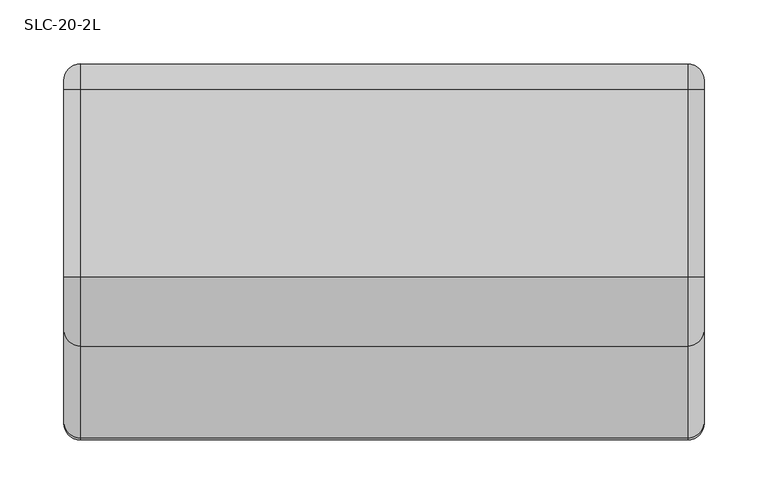
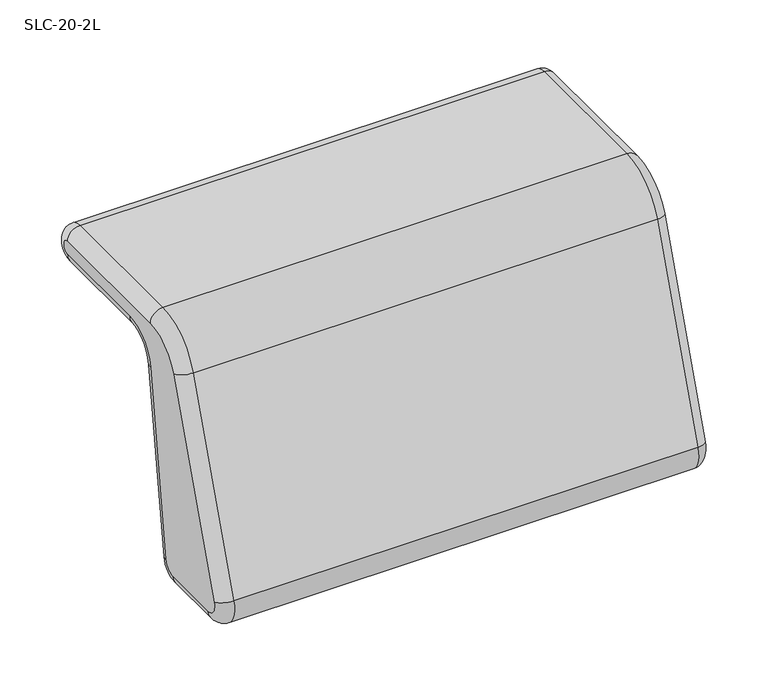
"""IFC4 building model written with IfcOpenShell, lengths in millimetres: furniture geometry, SLC-20-2L."""

from ifc_helpers import new_model, si_unit, point, frame, origin, place, context, project, spatial, polyline, circle_curve, ellipse_curve, trimmed, source, transform, mapped, element, save
from ifc_brep_helpers import plane_surface, cylinder_surface, revolved_surface, advanced_brep


def slc_20_2l_0019fbf1(model_context):
    return source(origin(), model_context, "Body", "AdvancedBrep", [
        advanced_brep(
        [(222.8949219, 14.8673135, 645.9354873), (235.5850085, 27.433901, 644.1693686), (235.5850085, 0.5042568, 452.5549935), (222.8949219, -12.0623307, 454.3211122), (235.5850085, -24.6485521, 430.6899902), (222.8949219, -24.6485521, 443.3800768), (235.5850085, -86.7348484, 430.6899902), (222.8949219, -86.7348484, 443.3800768), (235.5850085, -110.6779418, 464.5686858), (222.8949219, -98.7157399, 460.3326472), (235.5850085, -38.7747295, 667.6170574), (222.8949219, -26.8125276, 663.3810187), (235.5850085, 15.0972306, 705.6899923), (222.8949219, 15.0972306, 692.9999057), (235.5850085, 161.6991602, 705.6899923), (222.8949219, 161.6991602, 692.9999057), (235.5850085, 161.6991602, 665.6900356), (222.8949219, 161.6991602, 678.3801222), (235.5850085, 52.1905965, 665.6900356), (222.8949219, 52.1905965, 678.3801222), (710.5649915, -38.7747295, 667.6170574), (710.5649915, 15.0972306, 705.6899923), (710.5649915, 161.6991602, 705.6899923), (710.5649915, 161.6991602, 665.6900356), (710.5649915, 52.1905965, 665.6900356), (710.5649915, 27.433901, 644.1693686), (710.5649915, 0.5042568, 452.5549935), (710.5649915, -24.6485521, 430.6899902), (710.5649915, -86.7348484, 430.6899902), (710.5649915, -110.6779418, 464.5686858), (723.2550781, 14.8673135, 645.9354873), (723.2550781, -12.0623307, 454.3211122), (723.2550781, -24.6485521, 443.3800768), (723.2550781, -86.7348484, 443.3800768), (723.2550781, -98.7157399, 460.3326472), (723.2550781, -26.8125276, 663.3810187), (723.2550781, 15.0972306, 692.9999057), (723.2550781, 161.6991602, 692.9999057), (723.2550781, 161.6991602, 678.3801222), (723.2550781, 52.1905965, 678.3801222)],
        [
            (0, 1, circle_curve(frame((235.5850085, 14.8673135, 645.9354873), z_axis=(0.0, -0.13917310095999583, -0.9902680687415801), x_axis=(0.0, 0.9902680687415801, -0.13917310095999583)), 12.6900866)),
            (1, 2),
            (2, 3, circle_curve(frame((235.5850085, -12.0623307, 454.3211122), z_axis=(0.0, 0.13917310095999583, 0.9902680687415801), x_axis=(0.0, 0.9902680687415801, -0.13917310095999583)), 12.6900866)),
            (3, 0),
            (2, 4, circle_curve(frame((235.5850085, -24.6485521, 456.0899902), z_axis=(-1.0, 0.0, 0.0), x_axis=(0.0, 0.9902680687415799, -0.1391731009599972)), 25.4)),
            (4, 5, circle_curve(frame((235.5850085, -24.6485521, 443.3800768), z_axis=(0.0, 1.0, 0.0), x_axis=(0.0, 0.0, -1.0)), 12.6900866)),
            (5, 3, circle_curve(frame((222.8949219, -24.6485521, 456.0899902), z_axis=(1.0, 0.0, 0.0), x_axis=(0.0, 0.9902680687415799, -0.1391731009599972)), 12.7099134)),
            (4, 6),
            (6, 7, circle_curve(frame((235.5850085, -86.7348484, 443.3800768), z_axis=(0.0, 1.0, 0.0), x_axis=(0.0, 0.0, -1.0)), 12.6900866)),
            (7, 5),
            (6, 8, circle_curve(frame((235.5850085, -86.7348484, 456.0899902), z_axis=(-1.0, 0.0, 0.0), x_axis=(0.0, 0.0, -1.0)), 25.4)),
            (8, 9, circle_curve(frame((235.5850085, -98.7157399, 460.3326472), z_axis=(0.0, -0.3338069120612593, -0.942641472384982), x_axis=(0.0, -0.942641472384982, 0.3338069120612593)), 12.6900866)),
            (9, 7, circle_curve(frame((222.8949219, -86.7348484, 456.0899902), z_axis=(1.0, 0.0, 0.0), x_axis=(0.0, 0.0, -1.0)), 12.7099134)),
            (8, 10),
            (10, 11, circle_curve(frame((235.5850085, -26.8125276, 663.3810187), z_axis=(0.0, -0.33380691206126195, -0.9426414723849812), x_axis=(0.0, -0.9426414723849812, 0.33380691206126195)), 12.6900866)),
            (11, 9),
            (10, 12, circle_curve(frame((235.5850085, 15.0972306, 648.5399923), z_axis=(-1.0, 0.0, 0.0), x_axis=(0.0, -0.9426414723849806, 0.333806912061263)), 57.15)),
            (12, 13, circle_curve(frame((235.5850085, 15.0972306, 692.9999057), z_axis=(0.0, -1.0, 0.0), x_axis=(0.0, 0.0, 1.0)), 12.6900866)),
            (13, 11, circle_curve(frame((222.8949219, 15.0972306, 648.5399923), z_axis=(1.0, 0.0, 0.0), x_axis=(0.0, -0.9426414723849806, 0.333806912061263)), 44.4599134)),
            (12, 14),
            (14, 15, circle_curve(frame((235.5850085, 161.6991602, 692.9999057), z_axis=(0.0, -1.0, 0.0), x_axis=(0.0, 0.0, 1.0)), 12.6900866)),
            (15, 13),
            (14, 16, circle_curve(frame((235.5850085, 161.6991602, 685.690014), z_axis=(-1.0, 0.0, 0.0), x_axis=(0.0, 0.0, 1.0)), 19.9999784)),
            (16, 17, circle_curve(frame((235.5850085, 161.6991602, 678.3801222), z_axis=(0.0, 1.0, 0.0), x_axis=(0.0, 0.0, -1.0)), 12.6900866)),
            (17, 15, circle_curve(frame((222.8949219, 161.6991602, 685.690014), z_axis=(1.0, 0.0, 0.0), x_axis=(0.0, 0.0, 1.0)), 7.3098917)),
            (16, 18),
            (18, 19, circle_curve(frame((235.5850085, 52.1905965, 678.3801222), z_axis=(0.0, 1.0, 0.0), x_axis=(0.0, 0.0, -1.0)), 12.6900866)),
            (19, 17),
            (0, 19, circle_curve(frame((222.8949219, 52.1905965, 640.690042), z_axis=(-1.0, 0.0, 0.0), x_axis=(0.0, 0.0, 1.0)), 37.6900803)),
            (18, 1, circle_curve(frame((235.5850085, 52.1905965, 640.690042), z_axis=(1.0, 0.0, 0.0), x_axis=(0.0, 0.0, 1.0)), 24.9999937)),
            (10, 20),
            (20, 21, circle_curve(frame((710.5649915, 15.0972306, 648.5399923), z_axis=(-1.0, 0.0, 0.0), x_axis=(0.0, 0.0, 1.0)), 57.15)),
            (21, 12),
            (21, 22),
            (22, 14),
            (22, 23, circle_curve(frame((710.5649915, 161.6991602, 685.690014), z_axis=(-1.0, 0.0, 0.0), x_axis=(0.0, 0.0, 1.0)), 19.9999784)),
            (23, 16),
            (23, 24),
            (24, 18),
            (24, 25, circle_curve(frame((710.5649915, 52.1905965, 640.690042), z_axis=(1.0, 0.0, 0.0), x_axis=(0.0, 0.0, 1.0)), 24.9999937)),
            (25, 1),
            (25, 26),
            (26, 2),
            (26, 27, circle_curve(frame((710.5649915, -24.6485521, 456.0899902), z_axis=(-1.0, 0.0, 0.0), x_axis=(0.0, 0.0, 1.0)), 25.4)),
            (27, 4),
            (27, 28),
            (28, 6),
            (28, 29, circle_curve(frame((710.5649915, -86.7348484, 456.0899902), z_axis=(-1.0, 0.0, 0.0), x_axis=(0.0, 0.0, 1.0)), 25.4)),
            (29, 8),
            (29, 20),
            (25, 30, circle_curve(frame((710.5649915, 14.8673135, 645.9354873), z_axis=(0.0, -0.13917310095999588, -0.9902680687415801), x_axis=(0.0, -0.9902680687415801, 0.13917310095999588)), 12.6900866)),
            (30, 31),
            (31, 26, circle_curve(frame((710.5649915, -12.0623307, 454.3211122), z_axis=(0.0, 0.13917310095999588, 0.9902680687415801), x_axis=(0.0, -0.9902680687415801, 0.13917310095999588)), 12.6900866)),
            (31, 32, circle_curve(frame((723.2550781, -24.6485521, 456.0899902), z_axis=(-1.0, 0.0, 0.0), x_axis=(0.0, 0.9902680687415799, -0.1391731009599972)), 12.7099134)),
            (32, 27, circle_curve(frame((710.5649915, -24.6485521, 443.3800768), z_axis=(0.0, 1.0, 0.0), x_axis=(0.0, 0.0, 1.0)), 12.6900866)),
            (32, 33),
            (33, 28, circle_curve(frame((710.5649915, -86.7348484, 443.3800768), z_axis=(0.0, 1.0, 0.0), x_axis=(0.0, 0.0, 1.0)), 12.6900866)),
            (33, 34, circle_curve(frame((723.2550781, -86.7348484, 456.0899902), z_axis=(-1.0, 0.0, 0.0), x_axis=(0.0, 0.0, -1.0)), 12.7099134)),
            (34, 29, circle_curve(frame((710.5649915, -98.7157399, 460.3326472), z_axis=(0.0, -0.3338069120612629, -0.9426414723849806), x_axis=(0.0, 0.9426414723849806, -0.3338069120612629)), 12.6900866)),
            (34, 35),
            (35, 20, circle_curve(frame((710.5649915, -26.8125276, 663.3810187), z_axis=(0.0, -0.333806912061262, -0.9426414723849812), x_axis=(0.0, 0.9426414723849812, -0.333806912061262)), 12.6900866)),
            (35, 36, circle_curve(frame((723.2550781, 15.0972306, 648.5399923), z_axis=(-1.0, 0.0, 0.0), x_axis=(0.0, -0.9426414723849806, 0.333806912061263)), 44.4599134)),
            (36, 21, circle_curve(frame((710.5649915, 15.0972306, 692.9999057), z_axis=(0.0, -1.0, 0.0), x_axis=(0.0, 0.0, -1.0)), 12.6900866)),
            (36, 37),
            (37, 22, circle_curve(frame((710.5649915, 161.6991602, 692.9999057), z_axis=(0.0, -1.0, 0.0), x_axis=(0.0, 0.0, -1.0)), 12.6900866)),
            (37, 38, circle_curve(frame((723.2550781, 161.6991602, 685.690014), z_axis=(-1.0, 0.0, 0.0), x_axis=(0.0, 0.0, 1.0)), 7.3098917)),
            (38, 23, circle_curve(frame((710.5649915, 161.6991602, 678.3801222), z_axis=(0.0, 1.0, 0.0), x_axis=(0.0, 0.0, 1.0)), 12.6900866)),
            (38, 39),
            (39, 24, circle_curve(frame((710.5649915, 52.1905965, 678.3801222), z_axis=(0.0, 1.0, 0.0), x_axis=(0.0, 0.0, 1.0)), 12.6900866)),
            (39, 30, circle_curve(frame((723.2550781, 52.1905965, 640.690042), z_axis=(1.0, 0.0, 0.0), x_axis=(0.0, 0.0, 1.0)), 37.6900803)),
        ],
        [
            cylinder_surface(frame((235.5850085, 14.8673135, 645.9354873), z_axis=(0.0, 0.13917310095999583, 0.9902680687415801), x_axis=(0.0, 0.9902680687415801, -0.13917310095999583)), 12.6900866),
            revolved_surface(trimmed(ellipse_curve(frame((235.5850085, -12.0623307, 454.3211122), z_axis=(0.0, 0.1391731009599973, 0.9902680687415799), x_axis=(0.0, 0.9902680687415799, -0.1391731009599973)), 12.6900866, 12.6900866), [point((235.5850085, 0.5042568, 452.5549935))], [point((222.8949219, -12.0623307, 454.3211122))], True, "CARTESIAN"), (235.5949219, -24.6485521, 456.0899902), (-1.0, 0.0, 0.0)),
            cylinder_surface(frame((235.5850085, -24.6485521, 443.3800768), z_axis=(0.0, 1.0, 0.0), x_axis=(0.0, 0.0, -1.0)), 12.6900866),
            revolved_surface(trimmed(ellipse_curve(frame((235.5850085, -86.7348484, 443.3800768), z_axis=(0.0, 1.0, 0.0), x_axis=(0.0, 0.0, -1.0)), 12.6900866, 12.6900866), [point((235.5850085, -86.7348484, 430.6899902))], [point((222.8949219, -86.7348484, 443.3800768))], True, "CARTESIAN"), (235.5949219, -86.7348484, 456.0899902), (-1.0, 0.0, 0.0)),
            cylinder_surface(frame((235.5850085, -98.7157399, 460.3326472), z_axis=(0.0, -0.33380691206126195, -0.9426414723849812), x_axis=(0.0, -0.9426414723849812, 0.33380691206126195)), 12.6900866),
            revolved_surface(trimmed(ellipse_curve(frame((235.5850085, -26.8125276, 663.3810187), z_axis=(0.0, -0.3338069120612631, -0.9426414723849806), x_axis=(0.0, -0.9426414723849806, 0.3338069120612631)), 12.6900866, 12.6900866), [point((235.5850085, -38.7747295, 667.6170574))], [point((222.8949219, -26.8125276, 663.3810187))], True, "CARTESIAN"), (235.5949219, 15.0972306, 648.5399923), (-1.0, 0.0, 0.0)),
            cylinder_surface(frame((235.5850085, 15.0972306, 692.9999057), z_axis=(0.0, -1.0, 0.0), x_axis=(0.0, 0.0, 1.0)), 12.6900866),
            revolved_surface(trimmed(ellipse_curve(frame((235.5850085, 161.6991602, 692.9999057), z_axis=(0.0, -1.0, 0.0), x_axis=(0.0, 0.0, 1.0)), 12.6900866, 12.6900866), [point((235.5850085, 161.6991602, 705.6899923))], [point((222.8949219, 161.6991602, 692.9999057))], True, "CARTESIAN"), (235.5949219, 161.6991602, 685.690014), (-1.0, 0.0, 0.0)),
            cylinder_surface(frame((235.5850085, 161.6991602, 678.3801222), z_axis=(0.0, 1.0, 0.0), x_axis=(0.0, 0.0, -1.0)), 12.6900866),
            revolved_surface(trimmed(ellipse_curve(frame((235.5850085, 52.1905965, 678.3801222), z_axis=(0.0, 1.0, 0.0), x_axis=(0.0, 0.0, -1.0)), 12.6900866, 12.6900866), [point((235.5850085, 52.1905965, 665.6900356))], [point((222.8949219, 52.1905965, 678.3801222))], True, "CARTESIAN"), (235.5949219, 52.1905965, 640.690042), (1.0, 0.0, 0.0)),
            cylinder_surface(frame((710.5649915, 15.0972306, 648.5399923), z_axis=(-1.0, 0.0, 0.0), x_axis=(0.0, 0.0, 1.0)), 57.15),
            plane_surface(frame((235.5850085, 15.0972306, 705.6899923), z_axis=(0.0, 0.0, 1.0), x_axis=(1.0, 0.0, 0.0))),
            cylinder_surface(frame((710.5649915, 161.6991602, 685.690014), z_axis=(-1.0, 0.0, 0.0), x_axis=(0.0, 0.0, 1.0)), 19.9999784),
            plane_surface(frame((235.5850085, 161.6991602, 665.6900356), z_axis=(0.0, 0.0, -1.0), x_axis=(1.0, 0.0, 0.0))),
            revolved_surface(polyline([(710.5649915, 52.1905965, 665.6900357), (235.58500849999996, 52.1905965, 665.6900357)]), (710.5649915, 52.1905965, 640.690042), (1.0, 0.0, 0.0)),
            plane_surface(frame((235.5850085, 27.433901, 644.1693686), z_axis=(0.0, 0.9902680687415801, -0.13917310095999566), x_axis=(1.0, 0.0, 0.0))),
            cylinder_surface(frame((710.5649915, -24.6485521, 456.0899902), z_axis=(-1.0, 0.0, 0.0), x_axis=(0.0, 0.0, 1.0)), 25.4),
            plane_surface(frame((235.5850085, -24.6485521, 430.6899902), z_axis=(0.0, 0.0, -1.0), x_axis=(1.0, 0.0, 0.0))),
            cylinder_surface(frame((710.5649915, -86.7348484, 456.0899902), z_axis=(-1.0, 0.0, 0.0), x_axis=(0.0, 0.0, 1.0)), 25.4),
            plane_surface(frame((235.5850085, -110.6779418, 464.5686858), z_axis=(0.0, -0.9426414723849811, 0.33380691206126184), x_axis=(1.0, 0.0, 0.0))),
            cylinder_surface(frame((710.5649915, 14.8673135, 645.9354873), z_axis=(0.0, 0.13917310095999588, 0.9902680687415801), x_axis=(0.0, -0.9902680687415801, 0.13917310095999588)), 12.6900866),
            revolved_surface(trimmed(ellipse_curve(frame((710.5649915, -12.0623307, 454.3211122), z_axis=(0.0, 0.13917310095999735, 0.9902680687415799), x_axis=(0.0, -0.9902680687415799, 0.13917310095999735)), 12.6900866, 12.6900866), [point((723.2550781, -12.0623307, 454.3211122))], [point((710.5649915, 0.5042568, 452.5549935))], True, "CARTESIAN"), (710.5550781, -24.6485521, 456.0899902), (-1.0, 0.0, 0.0)),
            cylinder_surface(frame((710.5649915, -24.6485521, 443.3800768), z_axis=(0.0, 1.0, 0.0), x_axis=(0.0, 0.0, 1.0)), 12.6900866),
            revolved_surface(trimmed(ellipse_curve(frame((710.5649915, -86.7348484, 443.3800768), z_axis=(0.0, 1.0, 0.0), x_axis=(0.0, 0.0, 1.0)), 12.6900866, 12.6900866), [point((723.2550781, -86.7348484, 443.3800768))], [point((710.5649915, -86.7348484, 430.6899902))], True, "CARTESIAN"), (710.5550781, -86.7348484, 456.0899902), (-1.0, 0.0, 0.0)),
            cylinder_surface(frame((710.5649915, -98.7157399, 460.3326472), z_axis=(0.0, -0.333806912061262, -0.9426414723849812), x_axis=(0.0, 0.9426414723849812, -0.333806912061262)), 12.6900866),
            revolved_surface(trimmed(ellipse_curve(frame((710.5649915, -26.8125276, 663.3810187), z_axis=(0.0, -0.3338069120612632, -0.9426414723849805), x_axis=(0.0, 0.9426414723849805, -0.3338069120612632)), 12.6900866, 12.6900866), [point((723.2550781, -26.8125276, 663.3810187))], [point((710.5649915, -38.7747295, 667.6170574))], True, "CARTESIAN"), (710.5550781, 15.0972306, 648.5399923), (-1.0, 0.0, 0.0)),
            cylinder_surface(frame((710.5649915, 15.0972306, 692.9999057), z_axis=(0.0, -1.0, 0.0), x_axis=(0.0, 0.0, -1.0)), 12.6900866),
            revolved_surface(trimmed(ellipse_curve(frame((710.5649915, 161.6991602, 692.9999057), z_axis=(0.0, -1.0, 0.0), x_axis=(0.0, 0.0, -1.0)), 12.6900866, 12.6900866), [point((723.2550781, 161.6991602, 692.9999057))], [point((710.5649915, 161.6991602, 705.6899923))], True, "CARTESIAN"), (710.5550781, 161.6991602, 685.690014), (-1.0, 0.0, 0.0)),
            cylinder_surface(frame((710.5649915, 161.6991602, 678.3801222), z_axis=(0.0, 1.0, 0.0), x_axis=(0.0, 0.0, 1.0)), 12.6900866),
            revolved_surface(trimmed(ellipse_curve(frame((710.5649915, 52.1905965, 678.3801222), z_axis=(0.0, 1.0, 0.0), x_axis=(0.0, 0.0, 1.0)), 12.6900866, 12.6900866), [point((723.2550781, 52.1905965, 678.3801222))], [point((710.5649915, 52.1905965, 665.6900356))], True, "CARTESIAN"), (710.5550781, 52.1905965, 640.690042), (1.0, 0.0, 0.0)),
            plane_surface(frame((723.2550781, 161.6991602, 692.9999057), z_axis=(1.0, 0.0, 0.0), x_axis=(0.0, -1.0, 0.0))),
            plane_surface(frame((222.8949219, -24.6485521, 443.3800768), z_axis=(-1.0, 0.0, 0.0), x_axis=(0.0, -1.0, 0.0))),
        ],
        [
            (0, [[1, 2, 3, 4]]),
            (1, [[-3, 5, 6, 7]]),
            (2, [[-6, 8, 9, 10]]),
            (3, [[-9, 11, 12, 13]]),
            (4, [[-12, 14, 15, 16]]),
            (5, [[-15, 17, 18, 19]]),
            (6, [[-18, 20, 21, 22]]),
            (7, [[-21, 23, 24, 25]]),
            (8, [[-24, 26, 27, 28]]),
            (9, [[-1, 29, -27, 30]]),
            (10, [[31, 32, 33, -17]]),
            (11, [[-33, 34, 35, -20]]),
            (12, [[-35, 36, 37, -23]]),
            (13, [[-37, 38, 39, -26]]),
            (14, [[-39, 40, 41, -30]]),
            (15, [[-41, 42, 43, -2]]),
            (16, [[-43, 44, 45, -5]]),
            (17, [[-45, 46, 47, -8]]),
            (18, [[-47, 48, 49, -11]]),
            (19, [[-31, -14, -49, 50]]),
            (20, [[51, 52, 53, -42]]),
            (21, [[-53, 54, 55, -44]]),
            (22, [[-55, 56, 57, -46]]),
            (23, [[-57, 58, 59, -48]]),
            (24, [[-59, 60, 61, -50]]),
            (25, [[-61, 62, 63, -32]]),
            (26, [[-63, 64, 65, -34]]),
            (27, [[-65, 66, 67, -36]]),
            (28, [[-67, 68, 69, -38]]),
            (29, [[-51, -40, -69, 70]]),
            (30, [[-52, -70, -68, -66, -64, -62, -60, -58, -56, -54]]),
            (31, [[-4, -7, -10, -13, -16, -19, -22, -25, -28, -29]]),
        ],
    ),
    ])


if __name__ == "__main__":
    model = new_model("IFC4")
    model_context = context("Model", 3, world=origin())
    ifc_project = project(units=[si_unit("LENGTHUNIT", "METRE", prefix="MILLI")], contexts=[model_context])
    site = spatial("IfcSite", under=ifc_project)
    building = spatial("IfcBuilding", under=site)
    placement = place(None, origin())
    slc_20_2l_shape = slc_20_2l_0019fbf1(model_context)
    element("IfcFurniture", 1, ObjectType="SLC-20-2L", at=placement, inside=building, context=model_context, shape_type="MappedRepresentation", body=[
        mapped(slc_20_2l_shape, transform((0.0, 0.0, 0.0), x_axis=(1.0, 0.0, 0.0), y_axis=(0.0, 1.0, 0.0), z_axis=(0.0, 0.0, 1.0))),
    ])
    save(model, "model.ifc")
